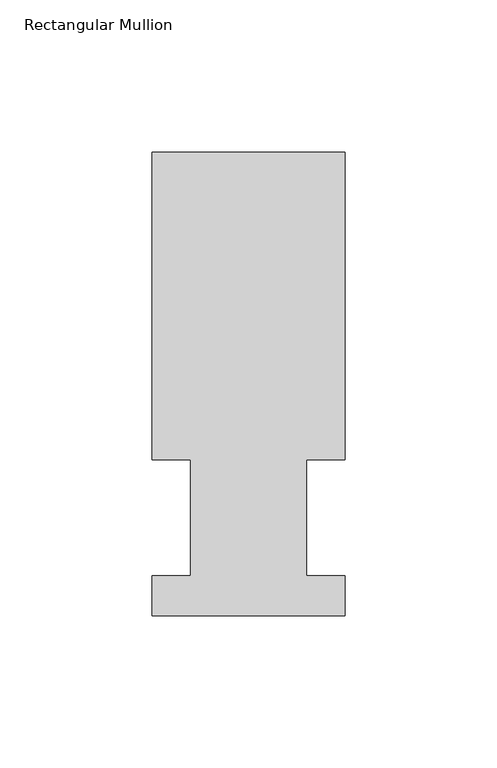
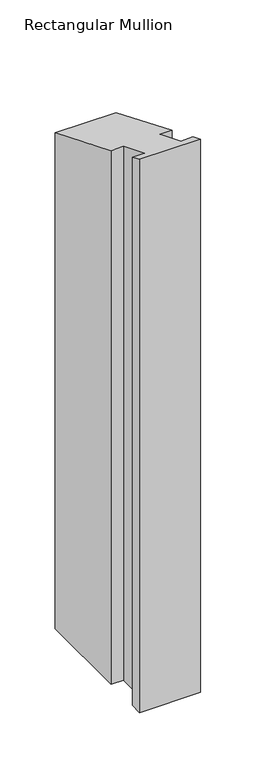
"""IFC4 building model written with IfcOpenShell, lengths in millimetres: member geometry, Rectangular Mullion."""

from ifc_helpers import new_model, si_unit, origin, place, context, project, spatial, faceted_brep, source, transform, mapped, element, save


def rectangular_mullion_eac3e22c(model_context):
    return source(origin(), model_context, "Body", "Brep", [
        faceted_brep([(-63.5, 152.4896937, -609.587333), (0.0127, 152.4896937, -609.587333), (0.0127, 51.2960937, -609.587333), (-12.6873, 51.2960938, -609.587333), (-12.6873, 13.1960937, -609.587333), (0.0, 13.1960937, -609.587333), (0.0, 0.0134937, -609.587333), (-63.5, 0.0134937, -609.587333), (-63.5, 13.1960937, -609.587333), (-50.8000001, 13.1960937, -609.587333), (-50.8000001, 51.2960937, -609.587333), (-63.5, 51.2960937, -609.587333), (-63.5, 51.2960937, -21.2475377), (-63.5, 152.4896937, -63.1632993), (-50.8000001, 51.2960937, -21.2475377), (-50.8000001, 13.1960937, -5.466001), (-63.5, 13.1960937, -5.466001), (-63.5, 0.0134937, -0.0055893), (0.0, 0.0134937, -0.0055893), (0.0, 13.1960937, -5.466001), (-12.6873, 13.1960937, -5.466001), (-12.6873, 51.2960938, -21.2475377), (0.0127, 51.2960937, -21.2475377), (0.0127, 152.4896937, -63.1632993)], [[[0, 1, 2, 3, 4, 5, 6, 7, 8, 9, 10, 11]], [[12, 13, 0, 11]], [[14, 12, 11, 10]], [[15, 14, 10, 9]], [[16, 15, 9, 8]], [[17, 16, 8, 7]], [[18, 17, 7, 6]], [[19, 18, 6, 5]], [[20, 19, 5, 4]], [[21, 20, 4, 3]], [[22, 21, 3, 2]], [[23, 22, 2, 1]], [[13, 23, 1, 0]], [[13, 12, 14, 15, 16, 17, 18, 19, 20, 21, 22, 23]]]),
    ])


if __name__ == "__main__":
    model = new_model("IFC4")
    model_context = context("Model", 3, world=origin())
    ifc_project = project(units=[si_unit("LENGTHUNIT", "METRE", prefix="MILLI")], contexts=[model_context])
    site = spatial("IfcSite", under=ifc_project)
    building = spatial("IfcBuilding", under=site)
    placement = place(None, origin())
    rectangular_mullion_shape = rectangular_mullion_eac3e22c(model_context)
    element("IfcMember", 1, ObjectType="Rectangular Mullion", at=placement, inside=building, context=model_context, shape_type="MappedRepresentation", body=[
        mapped(rectangular_mullion_shape, transform((0.0, 0.0, 0.0), x_axis=(1.0, 0.0, 0.0), y_axis=(0.0, 1.0, 0.0), z_axis=(0.0, 0.0, 1.0))),
    ])
    save(model, "model.ifc")
